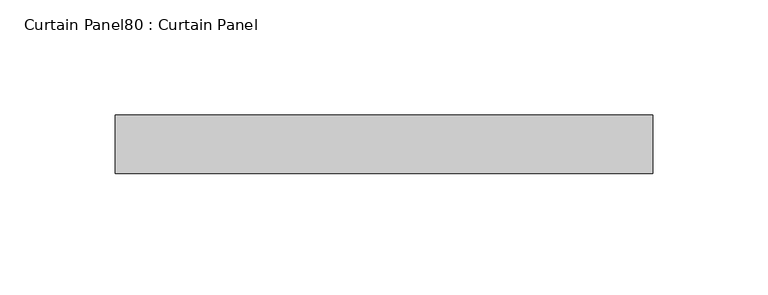
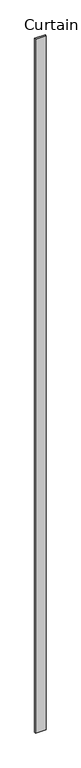
"""IFC4 building model written with IfcOpenShell, lengths in millimetres: plate geometry, Curtain Panel80 : Curtain Panel."""

from ifc_helpers import new_model, si_unit, frame, origin, place, context, project, spatial, polyline, outline, extrude, source, transform, mapped, element, save


def curtain_panel80_curtain_panel_f440b239(model_context):
    return source(origin(), model_context, "Body", "SweptSolid", [
        extrude(outline(polyline([(172111.1950674, 7952.3834949), (171877.8452674, 7952.3834949), (171877.8452674, 7977.7834949), (172111.1950674, 7977.7834949), (172111.1950674, 7952.3834949)])), frame((0.0, 0.0, 1433.7679301), z_axis=(0.0, 0.0, 1.0), x_axis=(1.0, 0.0, 0.0)), (0.0, 0.0, 1.0), 15837.0064664),
    ])


if __name__ == "__main__":
    model = new_model("IFC4")
    model_context = context("Model", 3, world=origin())
    ifc_project = project(units=[si_unit("LENGTHUNIT", "METRE", prefix="MILLI")], contexts=[model_context])
    site = spatial("IfcSite", under=ifc_project)
    building = spatial("IfcBuilding", under=site)
    placement = place(None, origin())
    curtain_panel80_curtain_panel_shape = curtain_panel80_curtain_panel_f440b239(model_context)
    element("IfcPlate", 1, ObjectType="Curtain Panel80 : Curtain Panel", at=placement, inside=building, context=model_context, shape_type="MappedRepresentation", body=[
        mapped(curtain_panel80_curtain_panel_shape, transform((0.0, 0.0, 0.0), x_axis=(1.0, 0.0, 0.0), y_axis=(0.0, 1.0, 0.0), z_axis=(0.0, 0.0, 1.0))),
    ])
    save(model, "model.ifc")
